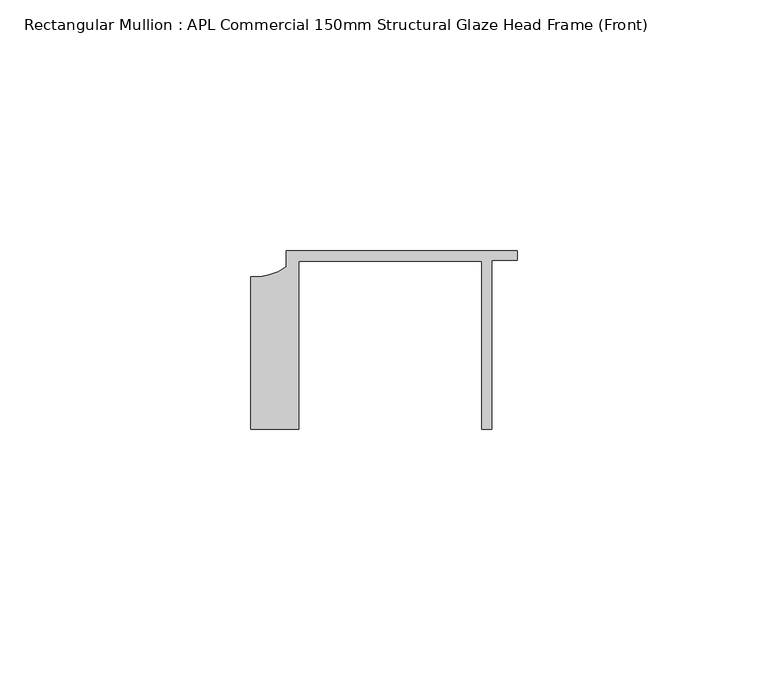
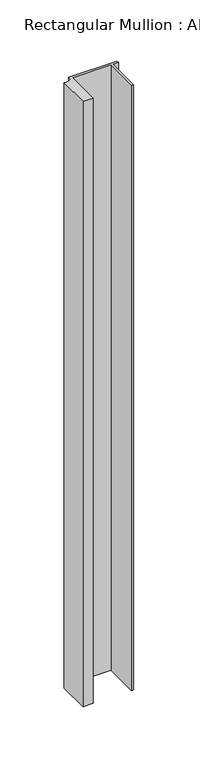
"""IFC4 building model written with IfcOpenShell, lengths in millimetres: member geometry, Rectangular Mullion : APL Commercial 150mm Structural Glaze Head Frame (Front)."""

from ifc_helpers import new_model, si_unit, point, frame, frame_2d, origin, place, context, project, spatial, polyline, circle_curve, trimmed, segment, composite_curve, outline, extrude, source, transform, mapped, element, save


def rectangular_mullion_apl_commercial_150mm_structural_glaze_2015d235(model_context):
    return source(origin(), model_context, "Body", "SweptSolid", [
        extrude(outline(composite_curve([segment(polyline([(-52.9999542, -15.0), (-52.9999542, 15.3798304)]), True, "CONTINUOUS"), segment(trimmed(circle_curve(frame_2d((-52.109817, 25.7982641)), 10.4563907), [point((-52.9999542, 15.3798304))], [point((-45.9999994, 17.3126154))], True, "CARTESIAN"), True, "CONTINUOUS"), segment(polyline([(-45.9999994, 17.3126154), (-45.9999994, 20.5002486), (0.0, 20.5002486), (0.0, 18.7002486), (-5.0, 18.7002486), (-5.0, -15.0), (-7.0, -15.0), (-7.0, 18.5002486), (-43.5000151, 18.5002486), (-43.5000151, -15.0), (-52.9999542, -15.0)]), True, "CONTINUOUS")], self_intersect=False)), frame((0.0, 0.0, -603.1001827), z_axis=(0.0, 0.0, 1.0), x_axis=(1.0, 0.0, 0.0)), (0.0, 0.0, 1.0), 603.1001827),
    ])


if __name__ == "__main__":
    model = new_model("IFC4")
    model_context = context("Model", 3, world=origin())
    ifc_project = project(units=[si_unit("LENGTHUNIT", "METRE", prefix="MILLI")], contexts=[model_context])
    site = spatial("IfcSite", under=ifc_project)
    building = spatial("IfcBuilding", under=site)
    placement = place(None, origin())
    rectangular_mullion_apl_commercial_150mm_structural_glaze_shape = rectangular_mullion_apl_commercial_150mm_structural_glaze_2015d235(model_context)
    element("IfcMember", 1, ObjectType="Rectangular Mullion : APL Commercial 150mm Structural Glaze Head Frame (Front)", at=placement, inside=building, context=model_context, shape_type="MappedRepresentation", body=[
        mapped(rectangular_mullion_apl_commercial_150mm_structural_glaze_shape, transform((0.0, 0.0, 0.0), x_axis=(1.0, 0.0, 0.0), y_axis=(0.0, 1.0, 0.0), z_axis=(0.0, 0.0, 1.0))),
    ])
    save(model, "model.ifc")
